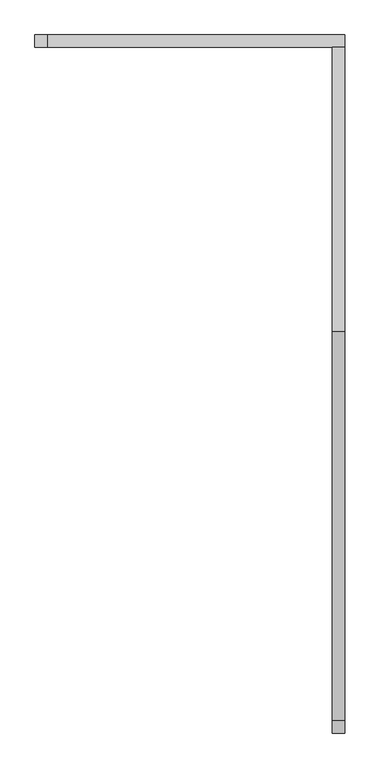
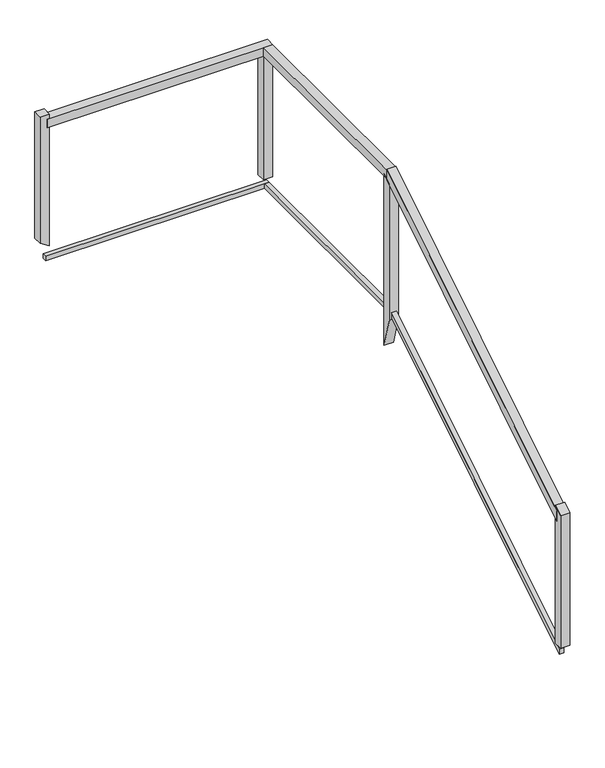
"""IFC4 building model written with IfcOpenShell, lengths in millimetres: railing geometry."""

from ifc_helpers import new_model, si_unit, frame, origin, place, context, project, spatial, polyline, outline, extrude, source, transform, mapped, element, save


def railing_c16b6174(model_context):
    return source(origin(), model_context, "Body", "SweptSolid", [
        extrude(outline(polyline([(119462.2077715, 4141.7063499), (119462.2077715, 4201.4936501), (121094.2077715, 5214.2936501), (121094.2077715, 5154.5063499), (119462.2077715, 4141.7063499)])), frame((-17089.2805784, 0.0, 0.0), z_axis=(1.0, 0.0, 0.0), x_axis=(0.0, 1.0, 0.0)), (0.0, 0.0, 1.0), 50.8),
        extrude(outline(polyline([(-17038.4805784, 121094.2077715), (-17089.2805784, 121094.2077715), (-17089.2805784, 122278.2501734), (-17038.4805784, 122278.2501734), (-17038.4805784, 121094.2077715)])), frame((0.0, 0.0, 5159.0), z_axis=(0.0, 0.0, 1.0), x_axis=(1.0, 0.0, 0.0)), (0.0, 0.0, 1.0), 50.8),
        extrude(outline(polyline([(-17038.4805784, 122329.0501734), (-17038.4805784, 122278.2501734), (-18289.4729238, 122278.2501734), (-18289.4729238, 122329.0501734), (-17038.4805784, 122329.0501734)])), frame((0.0, 0.0, 5159.0), z_axis=(0.0, 0.0, 1.0), x_axis=(1.0, 0.0, 0.0)), (0.0, 0.0, 1.0), 50.8),
        extrude(outline(polyline([(119462.2077715, 3359.053175), (119462.2077715, 3388.946825), (121094.2077715, 4401.746825), (121094.2077715, 4371.853175), (119462.2077715, 3359.053175)])), frame((-17076.5805784, 0.0, 0.0), z_axis=(1.0, 0.0, 0.0), x_axis=(0.0, 1.0, 0.0)), (0.0, 0.0, 1.0), 25.4),
        extrude(outline(polyline([(-17051.1805784, 121094.2077715), (-17076.5805784, 121094.2077715), (-17076.5805784, 122290.9501734), (-17051.1805784, 122290.9501734), (-17051.1805784, 121094.2077715)])), frame((0.0, 0.0, 4374.1), z_axis=(0.0, 0.0, 1.0), x_axis=(1.0, 0.0, 0.0)), (0.0, 0.0, 1.0), 25.4),
        extrude(outline(polyline([(-17051.1805784, 122316.3501734), (-17051.1805784, 122290.9501734), (-18289.4729238, 122290.9501734), (-18289.4729238, 122316.3501734), (-17051.1805784, 122316.3501734)])), frame((0.0, 0.0, 4374.1), z_axis=(0.0, 0.0, 1.0), x_axis=(1.0, 0.0, 0.0)), (0.0, 0.0, 1.0), 25.4),
        extrude(outline(polyline([(-17089.2805784, 122278.2501734), (-17089.2805784, 122329.0501734), (-17038.4805784, 122329.0501734), (-17038.4805784, 122278.2501734), (-17089.2805784, 122278.2501734)])), frame((0.0, 0.0, 4434.4), z_axis=(0.0, 0.0, 1.0), x_axis=(1.0, 0.0, 0.0)), (0.0, 0.0, 1.0), 724.6),
        extrude(outline(polyline([(121068.8077715, 5143.2370588), (121119.6077715, 5174.7629412), (121119.6077715, 4168.0909392), (121068.8077715, 4346.2884844), (121068.8077715, 5143.2370588)])), frame((-17089.2805784, 0.0, 0.0), z_axis=(1.0, 0.0, 0.0), x_axis=(0.0, 1.0, 0.0)), (0.0, 0.0, 1.0), 50.8),
        extrude(outline(polyline([(5235.3, -18276.7729238), (5235.3, -18327.5729238), (4496.1041897, -18327.5729238), (4464.5783073, -18276.7729238), (5235.3, -18276.7729238)])), frame((0.0, 122278.2501734, 0.0), z_axis=(0.0, 1.0, 0.0), x_axis=(0.0, 0.0, 1.0)), (0.0, 0.0, 1.0), 50.8),
        extrude(outline(polyline([(119424.1077715, 4198.8555882), (119474.9077715, 4230.3814706), (119474.9077715, 3421.6), (119424.1077715, 3421.6), (119424.1077715, 4198.8555882)])), frame((-17089.2805784, 0.0, 0.0), z_axis=(1.0, 0.0, 0.0), x_axis=(0.0, 1.0, 0.0)), (0.0, 0.0, 1.0), 50.8),
    ])


if __name__ == "__main__":
    model = new_model("IFC4")
    model_context = context("Model", 3, world=origin())
    ifc_project = project(units=[si_unit("LENGTHUNIT", "METRE", prefix="MILLI")], contexts=[model_context])
    site = spatial("IfcSite", under=ifc_project)
    building = spatial("IfcBuilding", under=site)
    placement = place(None, origin())
    railing_shape = railing_c16b6174(model_context)
    element("IfcRailing", 1, at=placement, inside=building, context=model_context, shape_type="MappedRepresentation", body=[
        mapped(railing_shape, transform((0.0, 0.0, 0.0), x_axis=(1.0, 0.0, 0.0), y_axis=(0.0, 1.0, 0.0), z_axis=(0.0, 0.0, 1.0))),
    ])
    save(model, "model.ifc")
